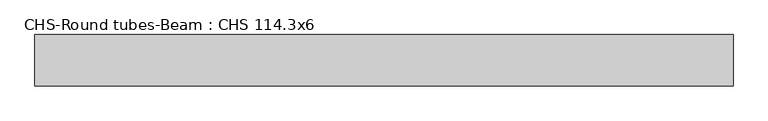
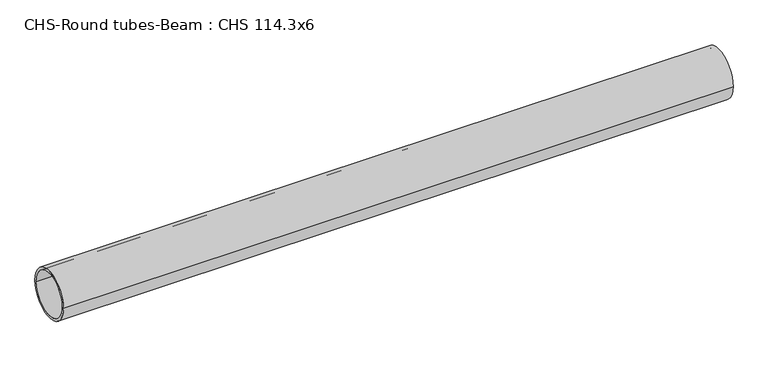
"""IFC4 building model written with IfcOpenShell, lengths in millimetres: beam geometry, CHS-Round tubes-Beam : CHS 114.3x6."""

from ifc_helpers import new_model, si_unit, point, frame, origin, origin_2d, place, context, project, spatial, circle_curve, trimmed, segment, composite_curve, outline, extrude, source, transform, mapped, element, save


def chs_round_tubes_beam_chs_114_3x6_5fa64edb(model_context):
    return source(origin(), model_context, "Body", "SweptSolid", [
        extrude(outline(composite_curve([segment(trimmed(circle_curve(origin_2d(), 57.15), [point((57.15, 0.0))], [point((-57.15, 0.0))], False, "CARTESIAN"), True, "CONTINUOUS"), segment(trimmed(circle_curve(origin_2d(), 57.15), [point((-57.15, 0.0))], [point((57.15, 0.0))], False, "CARTESIAN"), True, "CONTINUOUS")], self_intersect=False), holes=[composite_curve([segment(trimmed(circle_curve(origin_2d(), 51.15), [point((51.15, 0.0))], [point((-51.15, 0.0))], True, "CARTESIAN"), True, "CONTINUOUS"), segment(trimmed(circle_curve(origin_2d(), 51.15), [point((-51.15, 0.0))], [point((51.15, 0.0))], True, "CARTESIAN"), True, "CONTINUOUS")], self_intersect=False)]), frame((-768.6925783, 0.0, 0.0), z_axis=(1.0, 0.0, 0.0), x_axis=(0.0, 1.0, 0.0)), (0.0, 0.0, 1.0), 1549.4490237),
    ])


if __name__ == "__main__":
    model = new_model("IFC4")
    model_context = context("Model", 3, world=origin())
    ifc_project = project(units=[si_unit("LENGTHUNIT", "METRE", prefix="MILLI")], contexts=[model_context])
    site = spatial("IfcSite", under=ifc_project)
    building = spatial("IfcBuilding", under=site)
    placement = place(None, origin())
    chs_round_tubes_beam_chs_114_3x6_shape = chs_round_tubes_beam_chs_114_3x6_5fa64edb(model_context)
    element("IfcBeam", 1, ObjectType="CHS-Round tubes-Beam : CHS 114.3x6", at=placement, inside=building, context=model_context, shape_type="MappedRepresentation", body=[
        mapped(chs_round_tubes_beam_chs_114_3x6_shape, transform((0.0, 0.0, 0.0), x_axis=(1.0, 0.0, 0.0), y_axis=(0.0, 1.0, 0.0), z_axis=(0.0, 0.0, 1.0))),
    ])
    save(model, "model.ifc")
